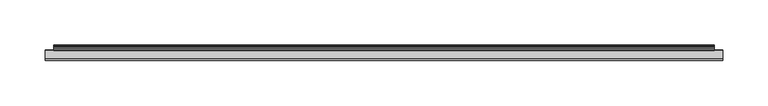
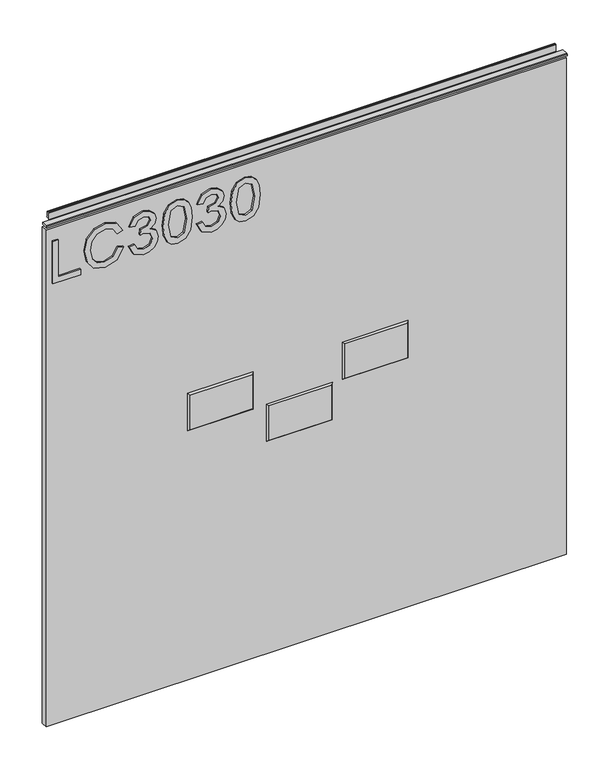
"""IFC4 building model written with IfcOpenShell, lengths in millimetres: furniture geometry."""

from ifc_helpers import new_model, si_unit, frame, origin, place, context, project, spatial, polyline, outline, extrude, faceted_brep, source, transform, mapped, element, save


def furniture_e83b17d2(model_context):
    return source(origin(), model_context, "Body", "SolidModel", [
        extrude(outline(polyline([(773.6078, -289.7737583), (773.6078, -249.9051602), (781.5815196, -249.9051602), (781.5815196, -281.8000387), (837.3975569, -281.8000387), (837.3975569, -289.7737583), (773.6078, -289.7737583)])), frame((0.0, -5.5283158, 0.0), z_axis=(0.0, 1.0, 0.0), x_axis=(0.0, 0.0, 1.0)), (0.0, 0.0, 1.0), 2.38125),
        extrude(outline(polyline([(796.2830652, -196.0825528), (784.5405171, -202.8493129), (780.5848047, -215.0512842), (783.4892943, -226.0540829), (792.265058, -233.5450187), (806.0010359, -235.9511509), (817.8525997, -233.9187868), (827.0099183, -226.8717006), (830.4205523, -214.39719), (827.3447522, -203.6202096), (817.5411263, -197.0792677), (819.4411141, -189.1055481), (833.4262708, -198.1149169), (838.3942719, -214.0857166), (834.555362, -229.410209), (823.3189582, -240.1482552), (805.9854623, -243.9248705), (788.9322924, -240.584318), (776.8004026, -230.8507736), (772.611085, -214.257027), (778.1475251, -197.5620515), (794.2273406, -188.1088332), (796.2830652, -196.0825528)])), frame((0.0, -5.5283158, 0.0), z_axis=(0.0, 1.0, 0.0), x_axis=(0.0, 0.0, 1.0)), (0.0, 0.0, 1.0), 2.38125),
        extrude(outline(polyline([(790.5519542, -180.1351135), (777.6102335, -173.7966294), (772.611085, -159.8114727), (774.0750101, -151.2887812), (778.4667854, -144.3779646), (784.9610063, -139.7993053), (792.7322681, -138.2730855), (803.1043331, -141.3255251), (808.555118, -150.0156336), (813.8345925, -143.4746917), (821.1853653, -141.2632304), (829.2291664, -143.5914942), (835.2094562, -150.3193202), (837.3975569, -159.9360621), (832.9590607, -172.6130304), (820.4534028, -179.1383986), (819.4566878, -171.164679), (826.9320499, -167.2556875), (829.4238373, -159.655736), (826.9554105, -152.1492265), (820.7181552, -149.23695), (813.6788558, -153.2549572), (811.4829682, -163.5803011), (803.5092486, -164.4680004), (804.3813742, -158.8770524), (801.11869, -149.8131758), (792.8724312, -146.2468052), (784.120028, -149.8443232), (780.5848047, -159.5311466), (783.1544604, -167.7618318), (791.5486691, -172.1613939), (790.5519542, -180.1351135)])), frame((0.0, -5.5283158, 0.0), z_axis=(0.0, 1.0, 0.0), x_axis=(0.0, 0.0, 1.0)), (0.0, 0.0, 1.0), 2.38125),
        extrude(outline(polyline([(804.9887473, -131.2960809), (789.4734775, -129.7075664), (778.6848168, -124.9420231), (774.129518, -118.6502599), (772.611085, -110.3650669), (776.1073742, -98.6926004), (786.7130443, -91.7545299), (804.9887473, -89.4340529), (819.9784058, -90.8824043), (829.4160505, -94.6200854), (835.3418324, -101.0520115), (837.3975569, -110.3650669), (833.9246283, -121.9908124), (823.3423188, -128.9522434), (804.9887473, -131.2960809)]), holes=[polyline([(805.004321, -123.3223613), (825.1566514, -119.4600908), (829.4238373, -110.4585089), (824.5804256, -101.0208642), (805.004321, -97.4077725), (785.2179718, -101.1454536), (780.5848047, -110.3650669), (785.2023982, -119.5846802), (805.004321, -123.3223613)])]), frame((0.0, -5.5283158, 0.0), z_axis=(0.0, 1.0, 0.0), x_axis=(0.0, 0.0, 1.0)), (0.0, 0.0, 1.0), 2.38125),
        extrude(outline(polyline([(790.5519542, -82.4570482), (777.6102335, -76.1185641), (772.611085, -62.1334074), (774.0750101, -53.6107159), (778.4667854, -46.6998993), (784.9610063, -42.12124), (792.7322681, -40.5950202), (803.1043331, -43.6474598), (808.555118, -52.3375683), (813.8345925, -45.7966264), (821.1853653, -43.5851651), (829.2291664, -45.9134289), (835.2094562, -52.6412548), (837.3975569, -62.2579968), (832.9590607, -74.9349651), (820.4534028, -81.4603333), (819.4566878, -73.4866136), (826.9320499, -69.5776222), (829.4238373, -61.9776707), (826.9554105, -54.4711612), (820.7181552, -51.5588847), (813.6788558, -55.5768918), (811.4829682, -65.9022358), (803.5092486, -66.7899351), (804.3813742, -61.1989871), (801.11869, -52.1351105), (792.8724312, -48.5687398), (784.120028, -52.1662579), (780.5848047, -61.8530813), (783.1544604, -70.0837665), (791.5486691, -74.4833286), (790.5519542, -82.4570482)])), frame((0.0, -5.5283158, 0.0), z_axis=(0.0, 1.0, 0.0), x_axis=(0.0, 0.0, 1.0)), (0.0, 0.0, 1.0), 2.38125),
        extrude(outline(polyline([(804.9887473, -33.6180156), (789.4734775, -32.0295011), (778.6848168, -27.2639577), (774.129518, -20.9721946), (772.611085, -12.6870016), (776.1073742, -1.014535), (786.7130443, 5.9235354), (804.9887473, 8.2440124), (819.9784058, 6.795661), (829.4160505, 3.05798), (835.3418324, -3.3739462), (837.3975569, -12.6870016), (833.9246283, -24.3127471), (823.3423188, -31.2741781), (804.9887473, -33.6180156)]), holes=[polyline([(805.004321, -25.6442959), (825.1566514, -21.7820255), (829.4238373, -12.7804436), (824.5804256, -3.3427989), (805.004321, 0.2702928), (785.2179718, -3.4673882), (780.5848047, -12.6870016), (785.2023982, -21.9066149), (805.004321, -25.6442959)])]), frame((0.0, -5.5283158, 0.0), z_axis=(0.0, 1.0, 0.0), x_axis=(0.0, 0.0, 1.0)), (0.0, 0.0, 1.0), 2.38125),
        faceted_brep([(220.310075, -5.2069939, 534.756122), (130.616325, -5.2069939, 534.756122), (130.616325, -5.2069939, 482.6662783), (220.310075, -5.2069939, 482.6662783), (222.5921062, -3.1749939, 537.0381533), (222.5921062, -3.1749939, 480.384247), (128.3342937, -3.1749939, 480.384247), (128.3342937, -3.1749939, 537.0381533)], [[[0, 1, 2, 3]], [[4, 5, 6, 7]], [[4, 7, 1, 0]], [[7, 6, 2, 1]], [[6, 5, 3, 2]], [[5, 4, 0, 3]]]),
        faceted_brep([(111.252, -5.2069939, 478.7392), (21.59, -5.2069939, 478.7392), (21.59, -5.2069939, 426.6692), (111.252, -5.2069939, 426.6692), (113.538, -3.1749939, 481.0252), (113.538, -3.1749939, 424.3832), (19.304, -3.1749939, 424.3832), (19.304, -3.1749939, 481.0252)], [[[0, 1, 2, 3]], [[4, 5, 6, 7]], [[4, 7, 1, 0]], [[7, 6, 2, 1]], [[6, 5, 3, 2]], [[5, 4, 0, 3]]]),
        faceted_brep([(-2.422525, -5.2069939, 534.756122), (-92.116275, -5.2069939, 534.756122), (-92.116275, -5.2069939, 482.6662783), (-2.422525, -5.2069939, 482.6662783), (-0.1404938, -3.1749939, 537.0381533), (-0.1404938, -3.1749939, 480.384247), (-94.3983063, -3.1749939, 480.384247), (-94.3983063, -3.1749939, 537.0381533)], [[[0, 1, 2, 3]], [[4, 5, 6, 7]], [[4, 7, 1, 0]], [[7, 6, 2, 1]], [[6, 5, 3, 2]], [[5, 4, 0, 3]]]),
        extrude(outline(polyline([(-298.196, 6.3500061), (450.596, 6.3500061), (450.596, -3.1749939), (-298.196, -3.1749939), (-298.196, 6.3500061)])), frame((0.0, 0.0, 101.6), z_axis=(0.0, 0.0, 1.0), x_axis=(1.0, 0.0, 0.0)), (0.0, 0.0, 1.0), 754.5578),
        extrude(outline(polyline([(5.5562561, 863.6), (6.3500061, 863.6), (6.3500061, 873.47425), (7.1437561, 874.268), (8.6677569, 874.268), (10.0084363, 873.8506926), (10.875413, 872.7461816), (10.9623604, 871.3447591), (10.2390011, 868.3863459), (10.4046103, 867.1833307), (11.6746103, 864.9836103), (10.7786383, 864.4663244), (7.1437561, 864.4663244), (7.1437561, 863.6), (6.3500061, 863.3669239), (6.3500061, 856.1578), (5.5562561, 856.1578), (5.5562561, 863.6)])), frame((-288.671, 0.0, 0.0), z_axis=(1.0, 0.0, 0.0), x_axis=(0.0, 1.0, 0.0)), (0.0, 0.0, 1.0), 729.742),
        extrude(outline(polyline([(5.5562561, 863.6), (5.5562561, 860.4249996), (-3.975094, 860.4249996), (-5.3492339, 861.2183657), (-5.3492339, 862.8066395), (-3.9751037, 863.6), (5.5562561, 863.6)])), frame((-298.196, 0.0, 0.0), z_axis=(1.0, 0.0, 0.0), x_axis=(0.0, 1.0, 0.0)), (0.0, 0.0, 1.0), 748.792),
    ])


if __name__ == "__main__":
    model = new_model("IFC4")
    model_context = context("Model", 3, world=origin())
    ifc_project = project(units=[si_unit("LENGTHUNIT", "METRE", prefix="MILLI")], contexts=[model_context])
    site = spatial("IfcSite", under=ifc_project)
    building = spatial("IfcBuilding", under=site)
    placement = place(None, origin())
    furniture_shape = furniture_e83b17d2(model_context)
    element("IfcFurniture", 1, at=placement, inside=building, context=model_context, shape_type="MappedRepresentation", body=[
        mapped(furniture_shape, transform((0.0, 0.0, 0.0), x_axis=(1.0, 0.0, 0.0), y_axis=(0.0, 1.0, 0.0), z_axis=(0.0, 0.0, 1.0))),
    ])
    save(model, "model.ifc")
